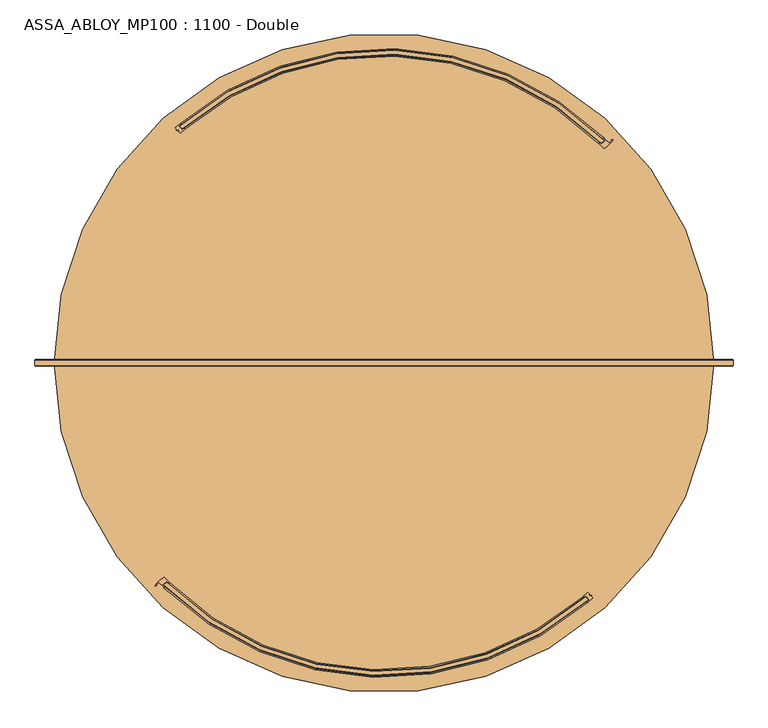
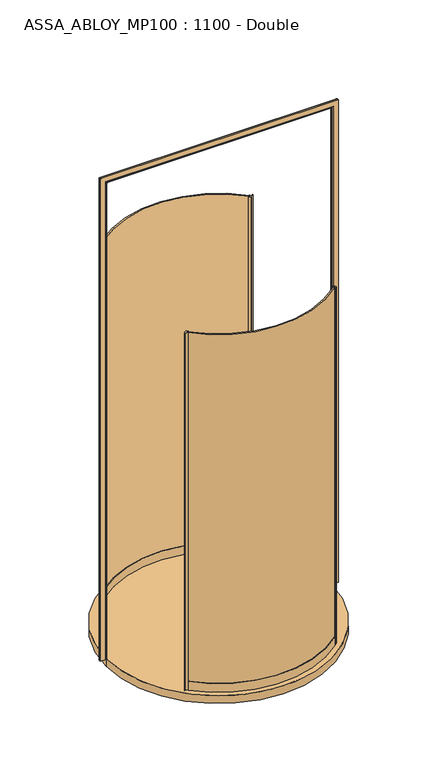
"""IFC4 building model written with IfcOpenShell, lengths in millimetres: door geometry, ASSA_ABLOY_MP100 : 1100 - Double."""

from ifc_helpers import new_model, si_unit, point, frame, frame_2d, origin, origin_with_axes, place, context, project, spatial, polyline, circle_curve, ellipse_curve, trimmed, segment, composite_curve, outline, extrude, source, transform, mapped, element, save
from ifc_brep_helpers import plane_surface, cylinder_surface, revolved_surface, advanced_brep


def assa_abloy_mp100_1100_double_955554bf(model_context):
    return source(origin(), model_context, "Body", "SolidModel", [
        extrude(outline(composite_curve([segment(trimmed(circle_curve(frame_2d((125.0, 0.0)), 838.5), [point((-464.9937964, -595.8100119))], [point((672.3022385, -635.2499585))], True, "CARTESIAN"), True, "CONTINUOUS"), segment(polyline([(672.3022385, -635.2499585), (678.7856646, -642.8636619)]), True, "CONTINUOUS"), segment(trimmed(circle_curve(frame_2d((125.0, 0.0)), 848.5), [point((678.7856646, -642.8636619))], [point((-471.9877233, -602.9576338))], False, "CARTESIAN"), True, "CONTINUOUS"), segment(polyline([(-471.9877233, -602.9576338), (-464.9937964, -595.8100119)]), True, "CONTINUOUS")], self_intersect=False)), origin_with_axes(), (0.0, 0.0, 1.0), 3000.0),
        extrude(outline(composite_curve([segment(polyline([(678.2153363, -623.4380817), (682.6356913, -628.629052), (680.7322968, -630.2498818), (683.0014585, -632.9146341), (687.4711305, -630.7907524), (688.189663, -631.6345491), (686.8437866, -633.5707587), (691.1846095, -638.6683317)]), True, "CONTINUOUS"), segment(trimmed(circle_curve(frame_2d((125.0, 0.0)), 853.5), [point((691.1846095, -638.6683317))], [point((678.3513022, -649.8188874))], False, "CARTESIAN"), True, "CONTINUOUS"), segment(polyline([(678.3513022, -649.8188874), (676.4063064, -647.534814)]), True, "CONTINUOUS"), segment(trimmed(circle_curve(frame_2d((125.0, 0.0)), 850.5), [point((676.4063064, -647.534814))], [point((681.7171345, -642.974558))], True, "CARTESIAN"), True, "CONTINUOUS"), segment(polyline([(681.7171345, -642.974558), (672.6401749, -632.3151816)]), True, "CONTINUOUS"), segment(trimmed(circle_curve(frame_2d((125.0, 0.0)), 836.5), [point((672.6401749, -632.3151816))], [point((667.1769315, -637.005828))], False, "CARTESIAN"), True, "CONTINUOUS"), segment(polyline([(667.1769315, -637.005828), (665.3846636, -634.5917313)]), True, "CONTINUOUS"), segment(trimmed(circle_curve(frame_2d((125.0, 0.0)), 833.5), [point((665.3846636, -634.5917313))], [point((678.2153363, -623.4380817))], True, "CARTESIAN"), True, "CONTINUOUS")], self_intersect=False)), origin_with_axes(), (0.0, 0.0, 1.0), 3000.0),
        advanced_brep(
        [(-464.9934713, -592.989238, 0.0), (-474.6948043, -603.085211, 0.0), (-469.6833962, -607.9727962, 0.0), (-471.7620171, -610.1359732, 0.0), (-485.6082601, -596.2698104, 0.0), (-492.7731984, -604.9617583, 0.0), (-495.3447483, -603.6458006, 0.0), (-473.4776156, -583.3597044, 0.0), (-469.7956112, -583.8583313, 0.0), (-457.9045441, -595.7147929, 0.0), (-459.9831651, -597.8779699, 0.0), (-464.9934713, -592.989238, 3000.0), (-459.9831651, -597.8779699, 3000.0), (-457.9045441, -595.7147929, 3000.0), (-469.7956112, -583.8583313, 3000.0), (-473.4776156, -583.3597044, 3000.0), (-495.3447483, -603.6458006, 3000.0), (-492.7870043, -604.9545448, 3000.0), (-485.6082601, -596.2698104, 3000.0), (-471.7620171, -610.1359732, 3000.0), (-469.6833962, -607.9727962, 3000.0), (-474.6948043, -603.085211, 3000.0)],
        [
            (0, 1),
            (1, 2, circle_curve(frame((-142.9934701, -267.9934701, 0.0), z_axis=(0.0, 0.0, 1.0), x_axis=(-0.707106781186553, 0.7071067811865419, 0.0)), 471.5)),
            (2, 3),
            (3, 4, circle_curve(frame((-142.9934701, -267.9934701, 0.0), z_axis=(0.0, 0.0, -1.0), x_axis=(-0.707106781186553, 0.7071067811865419, 0.0)), 474.5)),
            (4, 5, circle_curve(frame((-468.5900425, -617.597323, 0.0), z_axis=(0.0, 0.0, 1.0), x_axis=(-0.707106781186553, 0.7071067811865419, 0.0)), 27.285207)),
            (5, 6, circle_curve(frame((-494.060292, -604.289259, 0.0), z_axis=(0.0, 0.0, -1.0), x_axis=(-0.707106781186553, 0.7071067811865419, 0.0)), 1.4366164)),
            (6, 7, circle_curve(frame((-437.8967434, -643.6423847, 0.0), z_axis=(0.0, 0.0, -1.0), x_axis=(-0.707106781186553, 0.7071067811865419, 0.0)), 70.0)),
            (7, 8, circle_curve(frame((-471.9527211, -585.9432478, 0.0), z_axis=(0.0, 0.0, -1.0), x_axis=(-0.707106781186553, 0.7071067811865419, 0.0)), 3.0)),
            (8, 9, circle_curve(frame((-142.9934701, -267.9934701, 0.0), z_axis=(0.0, 0.0, 1.0), x_axis=(-0.707106781186553, 0.7071067811865419, 0.0)), 454.5)),
            (9, 10),
            (10, 0, circle_curve(frame((-142.9934701, -267.9934701, 0.0), z_axis=(0.0, 0.0, -1.0), x_axis=(-0.707106781186553, 0.7071067811865419, 0.0)), 457.5)),
            (11, 12, circle_curve(frame((-142.9934701, -267.9934701, 3000.0), z_axis=(0.0, 0.0, 1.0), x_axis=(-0.707106781186553, 0.7071067811865419, 0.0)), 457.5)),
            (12, 13),
            (13, 14, circle_curve(frame((-142.9934701, -267.9934701, 3000.0), z_axis=(0.0, 0.0, -1.0), x_axis=(-0.707106781186553, 0.7071067811865419, 0.0)), 454.5)),
            (14, 15, circle_curve(frame((-471.9527211, -585.9432478, 3000.0), z_axis=(0.0, 0.0, 1.0), x_axis=(-0.707106781186553, 0.7071067811865419, 0.0)), 3.0)),
            (15, 16, circle_curve(frame((-437.8967434, -643.6423847, 3000.0), z_axis=(0.0, 0.0, 1.0), x_axis=(-0.707106781186553, 0.7071067811865419, 0.0)), 70.0)),
            (16, 17, circle_curve(frame((-494.060292, -604.289259, 3000.0), z_axis=(0.0, 0.0, 1.0), x_axis=(-0.707106781186553, 0.7071067811865419, 0.0)), 1.4366164)),
            (17, 18, circle_curve(frame((-468.5900425, -617.597323, 3000.0), z_axis=(0.0, 0.0, -1.0), x_axis=(-0.707106781186553, 0.7071067811865419, 0.0)), 27.285207)),
            (18, 19, circle_curve(frame((-142.9934701, -267.9934701, 3000.0), z_axis=(0.0, 0.0, 1.0), x_axis=(-0.707106781186553, 0.7071067811865419, 0.0)), 474.5)),
            (19, 20),
            (20, 21, circle_curve(frame((-142.9934701, -267.9934701, 3000.0), z_axis=(0.0, 0.0, -1.0), x_axis=(-0.707106781186553, 0.7071067811865419, 0.0)), 471.5)),
            (21, 11),
            (0, 11),
            (21, 1),
            (20, 2),
            (19, 3),
            (18, 4),
            (8, 14),
            (13, 9),
            (12, 10),
            (17, 5),
            (16, 6),
            (15, 7),
        ],
        [
            plane_surface(frame((-464.3735021, -589.3735021, 0.0), z_axis=(0.0, 0.0, -1.0), x_axis=(-0.707106781186542, -0.7071067811865531, 0.0))),
            plane_surface(frame((-464.3735021, -589.3735021, 3000.0), z_axis=(0.0, 0.0, 1.0), x_axis=(-0.707106781186542, -0.7071067811865531, 0.0))),
            plane_surface(frame((-464.9934713, -592.989238, 0.0), z_axis=(0.7210590160944299, -0.692873650320845, 0.0), x_axis=(0.0, 0.0, 1.0))),
            revolved_surface(polyline([(-476.39431742945976, 65.40737722945448, 3000.0), (-476.39431742945976, 65.40737722945448, 0.0)]), (-142.9934701, -267.9934701, 0.0), (0.0, 0.0, 1.0)),
            plane_surface(frame((-469.6833962, -607.9727962, 0.0), z_axis=(0.7210590160945624, -0.6928736503207072, 0.0), x_axis=(0.0, 0.0, 1.0))),
            cylinder_surface(frame((-142.9934701, -267.9934701, 0.0), z_axis=(0.0, 0.0, -1.0), x_axis=(-0.707106781186553, 0.7071067811865419, 0.0)), 474.5),
            revolved_surface(polyline([(-464.37350214928836, 53.38656194928325, 3000.0), (-464.37350214928836, 53.38656194928325, 0.0)]), (-142.9934701, -267.9934701, 0.0), (0.0, 0.0, 1.0)),
            plane_surface(frame((-457.9045441, -595.7147929, 0.0), z_axis=(0.7210590160946411, -0.6928736503206254, 0.0), x_axis=(0.0, 0.0, 1.0))),
            cylinder_surface(frame((-142.9934701, -267.9934701, 0.0), z_axis=(0.0, 0.0, -1.0), x_axis=(-0.707106781186553, 0.7071067811865419, 0.0)), 457.5),
            revolved_surface(polyline([(-487.8835973957788, -598.3037681042215, 3000.0), (-487.8835973957788, -598.3037681042215, 0.0)]), (-468.5900425, -617.597323, 0.0), (0.0, 0.0, 1.0)),
            cylinder_surface(frame((-494.060292, -604.289259, 0.0), z_axis=(0.0, 0.0, -1.0), x_axis=(-0.707106781186553, 0.7071067811865419, 0.0)), 1.4366164),
            cylinder_surface(frame((-437.8967434, -643.6423847, 0.0), z_axis=(0.0, 0.0, -1.0), x_axis=(-0.707106781186553, 0.7071067811865419, 0.0)), 70.0),
            cylinder_surface(frame((-471.9527211, -585.9432478, 0.0), z_axis=(0.0, 0.0, -1.0), x_axis=(-0.707106781186553, 0.7071067811865419, 0.0)), 3.0),
        ],
        [
            (0, [[1, 2, 3, 4, 5, 6, 7, 8, 9, 10, 11]]),
            (1, [[12, 13, 14, 15, 16, 17, 18, 19, 20, 21, 22]]),
            (2, [[-1, 23, -22, 24]]),
            (3, [[-2, -24, -21, 25]]),
            (4, [[-3, -25, -20, 26]]),
            (5, [[-4, -26, -19, 27]]),
            (6, [[-9, 28, -14, 29]]),
            (7, [[-10, -29, -13, 30]]),
            (8, [[-11, -30, -12, -23]]),
            (9, [[-5, -27, -18, 31]]),
            (10, [[-6, -31, -17, 32]]),
            (11, [[-7, -32, -16, 33]]),
            (12, [[-8, -33, -15, -28]]),
        ],
    ),
        advanced_brep(
        [(-457.9335723, -595.743821, 73.0), (-457.9335723, -595.743821, 0.0), (-460.0317135, -597.8880699, 0.0), (-460.0317135, -597.8880699, 24.0), (-469.8230393, -607.8945648, 24.0), (-469.8230393, -607.8945648, 0.0), (-471.9211805, -610.0388137, 0.0), (-471.9211805, -610.0388137, 73.0), (-469.8230393, -607.8945648, 73.0), (-469.8230393, -607.8945648, 39.0), (-460.0317135, -597.8880699, 39.0), (-460.0317135, -597.8880699, 73.0), (665.3846636, -634.5917313, 73.0), (667.3296593, -636.8758047, 73.0), (667.3296593, -636.8758047, 39.0), (676.4063064, -647.534814, 39.0), (676.4063064, -647.534814, 73.0), (678.3513022, -649.8188874, 73.0), (678.3513022, -649.8188874, 0.0), (676.4063064, -647.534814, 0.0), (676.4063064, -647.534814, 24.0), (667.3296593, -636.8758047, 24.0), (667.3296593, -636.8758047, 0.0), (665.3846636, -634.5917313, 0.0)],
        [
            (0, 1),
            (1, 2),
            (2, 3),
            (3, 4),
            (4, 5),
            (5, 6),
            (6, 7),
            (7, 8),
            (8, 9),
            (9, 10),
            (10, 11),
            (11, 0),
            (12, 13),
            (13, 14),
            (14, 15),
            (15, 16),
            (16, 17),
            (17, 18),
            (18, 19),
            (19, 20),
            (20, 21),
            (21, 22),
            (22, 23),
            (23, 12),
            (23, 1, circle_curve(frame((125.0, 0.0, 0.0), z_axis=(0.0, 0.0, -1.0), x_axis=(-0.6993804106642412, -0.7147496353123363, 0.0)), 833.5)),
            (0, 12, circle_curve(frame((125.0, 0.0, 73.0), z_axis=(0.0, 0.0, 1.0), x_axis=(-0.6993804106642412, -0.7147496353123363, 0.0)), 833.5)),
            (22, 2, circle_curve(frame((125.0, 0.0, 0.0), z_axis=(0.0, 0.0, -1.0), x_axis=(-0.6993804106642412, -0.7147496353123363, 0.0)), 836.5)),
            (21, 3, circle_curve(frame((125.0, 0.0, 24.0), z_axis=(0.0, 0.0, -1.0), x_axis=(-0.6993804106642412, -0.7147496353123363, 0.0)), 836.5)),
            (20, 4, circle_curve(frame((125.0, 0.0, 24.0), z_axis=(0.0, 0.0, -1.0), x_axis=(-0.6993804106642412, -0.7147496353123363, 0.0)), 850.5)),
            (19, 5, circle_curve(frame((125.0, 0.0, 0.0), z_axis=(0.0, 0.0, -1.0), x_axis=(-0.6993804106642412, -0.7147496353123363, 0.0)), 850.5)),
            (18, 6, circle_curve(frame((125.0, 0.0, 0.0), z_axis=(0.0, 0.0, -1.0), x_axis=(-0.6993804106642412, -0.7147496353123363, 0.0)), 853.5)),
            (17, 7, circle_curve(frame((125.0, 0.0, 73.0), z_axis=(0.0, 0.0, -1.0), x_axis=(-0.6993804106642412, -0.7147496353123363, 0.0)), 853.5)),
            (16, 8, circle_curve(frame((125.0, 0.0, 73.0), z_axis=(0.0, 0.0, -1.0), x_axis=(-0.6993804106642412, -0.7147496353123363, 0.0)), 850.5)),
            (15, 9, circle_curve(frame((125.0, 0.0, 39.0), z_axis=(0.0, 0.0, -1.0), x_axis=(-0.6993804106642412, -0.7147496353123363, 0.0)), 850.5)),
            (14, 10, circle_curve(frame((125.0, 0.0, 39.0), z_axis=(0.0, 0.0, -1.0), x_axis=(-0.6993804106642412, -0.7147496353123363, 0.0)), 836.5)),
            (13, 11, circle_curve(frame((125.0, 0.0, 73.0), z_axis=(0.0, 0.0, -1.0), x_axis=(-0.6993804106642412, -0.7147496353123363, 0.0)), 836.5)),
        ],
        [
            plane_surface(frame((-457.9335723, -595.743821, 0.0), z_axis=(-0.7147496353123362, 0.6993804106642411, 0.0), x_axis=(0.0, 0.0, 1.0))),
            plane_surface(frame((665.3846636, -634.5917313, 0.0), z_axis=(0.7613578059617314, 0.6483319298793933, 0.0), x_axis=(0.0, 0.0, 1.0))),
            revolved_surface(polyline([(-457.933572288645, -595.7438210328323, 73.00000000000003), (-457.933572288645, -595.7438210328323, 0.0)]), (125.0, 0.0, 0.0), (0.0, 0.0, 1.0000000000000002)),
            plane_surface(frame((125.0, 0.0, 0.0), z_axis=(0.0, 0.0, -1.0), x_axis=(-0.6993804106642411, -0.7147496353123362, 0.0))),
            cylinder_surface(frame((125.0, 0.0, 0.0), z_axis=(0.0, 0.0, 1.0000000000000002), x_axis=(-0.6993804106642412, -0.7147496353123363, 0.0)), 836.5),
            plane_surface(frame((125.0, 0.0, 24.0), z_axis=(0.0, 0.0, -1.0), x_axis=(-0.6993804106642411, -0.7147496353123362, 0.0))),
            revolved_surface(polyline([(-469.8230392699371, -607.894564833142, 24.000000000000014), (-469.8230392699371, -607.894564833142, 0.0)]), (125.0, 0.0, 0.0), (0.0, 0.0, 1.0000000000000002)),
            cylinder_surface(frame((125.0, 0.0, 0.0), z_axis=(0.0, 0.0, 1.0000000000000002), x_axis=(-0.6993804106642412, -0.7147496353123363, 0.0)), 853.5),
            plane_surface(frame((125.0, 0.0, 73.0), z_axis=(0.0, 0.0, 1.0), x_axis=(-0.6993804106642411, -0.7147496353123362, 0.0))),
            revolved_surface(polyline([(-469.8230392699371, -607.894564833142, 73.00000000000003), (-469.8230392699371, -607.894564833142, 39.000000000000014)]), (125.0, 0.0, 0.0), (0.0, 0.0, 1.0000000000000002)),
            plane_surface(frame((125.0, 0.0, 39.0), z_axis=(0.0, 0.0, 1.0), x_axis=(-0.6993804106642411, -0.7147496353123362, 0.0))),
        ],
        [
            (0, [[1, 2, 3, 4, 5, 6, 7, 8, 9, 10, 11, 12]]),
            (1, [[13, 14, 15, 16, 17, 18, 19, 20, 21, 22, 23, 24]]),
            (2, [[25, -1, 26, -24]]),
            (3, [[27, -2, -25, -23]]),
            (4, [[28, -3, -27, -22]]),
            (5, [[29, -4, -28, -21]]),
            (6, [[30, -5, -29, -20]]),
            (3, [[31, -6, -30, -19]]),
            (7, [[32, -7, -31, -18]]),
            (8, [[33, -8, -32, -17]]),
            (9, [[34, -9, -33, -16]]),
            (10, [[35, -10, -34, -15]]),
            (4, [[36, -11, -35, -14]]),
            (8, [[-26, -12, -36, -13]]),
        ],
    ),
        extrude(outline(composite_curve([segment(trimmed(circle_curve(frame_2d((125.0, 0.0)), 838.5), [point((714.9937964, 595.8100119))], [point((-422.3022385, 635.2499585))], True, "CARTESIAN"), True, "CONTINUOUS"), segment(polyline([(-422.3022385, 635.2499585), (-428.7856646, 642.8636619)]), True, "CONTINUOUS"), segment(trimmed(circle_curve(frame_2d((125.0, 0.0)), 848.5), [point((-428.7856646, 642.8636619))], [point((721.9877233, 602.9576338))], False, "CARTESIAN"), True, "CONTINUOUS"), segment(polyline([(721.9877233, 602.9576338), (714.9937964, 595.8100119)]), True, "CONTINUOUS")], self_intersect=False)), origin_with_axes(), (0.0, 0.0, 1.0), 3000.0),
        extrude(outline(composite_curve([segment(polyline([(-428.2153363, 623.4380817), (-432.6356913, 628.629052), (-430.7322968, 630.2498818), (-433.0014585, 632.9146341), (-437.4711305, 630.7907524), (-438.189663, 631.6345491), (-436.8437866, 633.5707587), (-441.1846095, 638.6683317)]), True, "CONTINUOUS"), segment(trimmed(circle_curve(frame_2d((125.0, 0.0)), 853.5), [point((-441.1846095, 638.6683317))], [point((-428.3513022, 649.8188874))], False, "CARTESIAN"), True, "CONTINUOUS"), segment(polyline([(-428.3513022, 649.8188874), (-426.4063064, 647.534814)]), True, "CONTINUOUS"), segment(trimmed(circle_curve(frame_2d((125.0, 0.0)), 850.5), [point((-426.4063064, 647.534814))], [point((-431.7171345, 642.974558))], True, "CARTESIAN"), True, "CONTINUOUS"), segment(polyline([(-431.7171345, 642.974558), (-422.6401749, 632.3151816)]), True, "CONTINUOUS"), segment(trimmed(circle_curve(frame_2d((125.0, 0.0)), 836.5), [point((-422.6401749, 632.3151816))], [point((-417.1769315, 637.005828))], False, "CARTESIAN"), True, "CONTINUOUS"), segment(polyline([(-417.1769315, 637.005828), (-415.3846636, 634.5917313)]), True, "CONTINUOUS"), segment(trimmed(circle_curve(frame_2d((125.0, 0.0)), 833.5), [point((-415.3846636, 634.5917313))], [point((-428.2153363, 623.4380817))], True, "CARTESIAN"), True, "CONTINUOUS")], self_intersect=False)), origin_with_axes(), (0.0, 0.0, 1.0), 3000.0),
        advanced_brep(
        [(714.9934713, 592.989238, 0.0), (724.6948043, 603.085211, 0.0), (719.6833962, 607.9727962, 0.0), (721.7620171, 610.1359732, 0.0), (735.6082601, 596.2698104, 0.0), (742.7731984, 604.9617583, 0.0), (745.3447483, 603.6458006, 0.0), (723.4776156, 583.3597044, 0.0), (719.7956112, 583.8583313, 0.0), (707.9045441, 595.7147929, 0.0), (709.9831651, 597.8779699, 0.0), (714.9934713, 592.989238, 3000.0), (709.9831651, 597.8779699, 3000.0), (707.9045441, 595.7147929, 3000.0), (719.7956112, 583.8583313, 3000.0), (723.4776156, 583.3597044, 3000.0), (745.3447483, 603.6458006, 3000.0), (742.7870043, 604.9545448, 3000.0), (735.6082601, 596.2698104, 3000.0), (721.7620171, 610.1359732, 3000.0), (719.6833962, 607.9727962, 3000.0), (724.6948043, 603.085211, 3000.0)],
        [
            (0, 1),
            (1, 2, circle_curve(frame((392.9934701, 267.9934701, 0.0), z_axis=(0.0, 0.0, 1.0), x_axis=(0.7071067811865525, -0.7071067811865417, 0.0)), 471.5)),
            (2, 3),
            (3, 4, circle_curve(frame((392.9934701, 267.9934701, 0.0), z_axis=(0.0, 0.0, -1.0), x_axis=(0.7071067811865525, -0.7071067811865417, 0.0)), 474.5)),
            (4, 5, circle_curve(frame((718.5900425, 617.597323, 0.0), z_axis=(0.0, 0.0, 1.0), x_axis=(0.7071067811865525, -0.7071067811865417, 0.0)), 27.285207)),
            (5, 6, circle_curve(frame((744.060292, 604.289259, 0.0), z_axis=(0.0, 0.0, -1.0), x_axis=(0.7071067811865525, -0.7071067811865417, 0.0)), 1.4366164)),
            (6, 7, circle_curve(frame((687.8967434, 643.6423847, 0.0), z_axis=(0.0, 0.0, -1.0), x_axis=(0.7071067811865525, -0.7071067811865417, 0.0)), 70.0)),
            (7, 8, circle_curve(frame((721.9527211, 585.9432478, 0.0), z_axis=(0.0, 0.0, -1.0), x_axis=(0.7071067811865525, -0.7071067811865417, 0.0)), 3.0)),
            (8, 9, circle_curve(frame((392.9934701, 267.9934701, 0.0), z_axis=(0.0, 0.0, 1.0), x_axis=(0.7071067811865525, -0.7071067811865417, 0.0)), 454.5)),
            (9, 10),
            (10, 0, circle_curve(frame((392.9934701, 267.9934701, 0.0), z_axis=(0.0, 0.0, -1.0), x_axis=(0.7071067811865525, -0.7071067811865417, 0.0)), 457.5)),
            (11, 12, circle_curve(frame((392.9934701, 267.9934701, 3000.0), z_axis=(0.0, 0.0, 1.0), x_axis=(0.7071067811865525, -0.7071067811865417, 0.0)), 457.5)),
            (12, 13),
            (13, 14, circle_curve(frame((392.9934701, 267.9934701, 3000.0), z_axis=(0.0, 0.0, -1.0), x_axis=(0.7071067811865525, -0.7071067811865417, 0.0)), 454.5)),
            (14, 15, circle_curve(frame((721.9527211, 585.9432478, 3000.0), z_axis=(0.0, 0.0, 1.0), x_axis=(0.7071067811865525, -0.7071067811865417, 0.0)), 3.0)),
            (15, 16, circle_curve(frame((687.8967434, 643.6423847, 3000.0), z_axis=(0.0, 0.0, 1.0), x_axis=(0.7071067811865525, -0.7071067811865417, 0.0)), 70.0)),
            (16, 17, circle_curve(frame((744.060292, 604.289259, 3000.0), z_axis=(0.0, 0.0, 1.0), x_axis=(0.7071067811865525, -0.7071067811865417, 0.0)), 1.4366164)),
            (17, 18, circle_curve(frame((718.5900425, 617.597323, 3000.0), z_axis=(0.0, 0.0, -1.0), x_axis=(0.7071067811865525, -0.7071067811865417, 0.0)), 27.285207)),
            (18, 19, circle_curve(frame((392.9934701, 267.9934701, 3000.0), z_axis=(0.0, 0.0, 1.0), x_axis=(0.7071067811865525, -0.7071067811865417, 0.0)), 474.5)),
            (19, 20),
            (20, 21, circle_curve(frame((392.9934701, 267.9934701, 3000.0), z_axis=(0.0, 0.0, -1.0), x_axis=(0.7071067811865525, -0.7071067811865417, 0.0)), 471.5)),
            (21, 11),
            (0, 11),
            (21, 1),
            (20, 2),
            (19, 3),
            (18, 4),
            (8, 14),
            (13, 9),
            (12, 10),
            (17, 5),
            (16, 6),
            (15, 7),
        ],
        [
            plane_surface(frame((714.3735021, 589.3735021, 0.0), z_axis=(0.0, 0.0, -1.0), x_axis=(0.7071067811865421, 0.7071067811865529, 0.0))),
            plane_surface(frame((714.3735021, 589.3735021, 3000.0), z_axis=(0.0, 0.0, 1.0), x_axis=(0.7071067811865421, 0.7071067811865529, 0.0))),
            plane_surface(frame((714.9934713, 592.989238, 0.0), z_axis=(-0.7210590160944298, 0.6928736503208452, 0.0), x_axis=(0.0, 0.0, 1.0))),
            revolved_surface(polyline([(726.3943174294595, -65.40737722945437, 3000.0), (726.3943174294595, -65.40737722945437, 0.0)]), (392.9934701, 267.9934701, 0.0), (0.0, 0.0, 1.0)),
            plane_surface(frame((719.6833962, 607.9727962, 0.0), z_axis=(-0.7210590160945622, 0.6928736503207075, 0.0), x_axis=(0.0, 0.0, 1.0))),
            cylinder_surface(frame((392.9934701, 267.9934701, 0.0), z_axis=(0.0, 0.0, -1.0), x_axis=(0.7071067811865525, -0.7071067811865417, 0.0)), 474.5),
            revolved_surface(polyline([(714.3735021492881, -53.38656194928319, 3000.0), (714.3735021492881, -53.38656194928319, 0.0)]), (392.9934701, 267.9934701, 0.0), (0.0, 0.0, 1.0)),
            plane_surface(frame((707.9045441, 595.7147929, 0.0), z_axis=(-0.7210590160946408, 0.6928736503206255, 0.0), x_axis=(0.0, 0.0, 1.0))),
            cylinder_surface(frame((392.9934701, 267.9934701, 0.0), z_axis=(0.0, 0.0, -1.0), x_axis=(0.7071067811865525, -0.7071067811865417, 0.0)), 457.5),
            revolved_surface(polyline([(737.8835973957788, 598.3037681042215, 3000.0), (737.8835973957788, 598.3037681042215, 0.0)]), (718.5900425, 617.597323, 0.0), (0.0, 0.0, 1.0)),
            cylinder_surface(frame((744.060292, 604.289259, 0.0), z_axis=(0.0, 0.0, -1.0), x_axis=(0.7071067811865525, -0.7071067811865417, 0.0)), 1.4366164),
            cylinder_surface(frame((687.8967434, 643.6423847, 0.0), z_axis=(0.0, 0.0, -1.0), x_axis=(0.7071067811865525, -0.7071067811865417, 0.0)), 70.0),
            cylinder_surface(frame((721.9527211, 585.9432478, 0.0), z_axis=(0.0, 0.0, -1.0), x_axis=(0.7071067811865525, -0.7071067811865417, 0.0)), 3.0),
        ],
        [
            (0, [[1, 2, 3, 4, 5, 6, 7, 8, 9, 10, 11]]),
            (1, [[12, 13, 14, 15, 16, 17, 18, 19, 20, 21, 22]]),
            (2, [[-1, 23, -22, 24]]),
            (3, [[-2, -24, -21, 25]]),
            (4, [[-3, -25, -20, 26]]),
            (5, [[-4, -26, -19, 27]]),
            (6, [[-9, 28, -14, 29]]),
            (7, [[-10, -29, -13, 30]]),
            (8, [[-11, -30, -12, -23]]),
            (9, [[-5, -27, -18, 31]]),
            (10, [[-6, -31, -17, 32]]),
            (11, [[-7, -32, -16, 33]]),
            (12, [[-8, -33, -15, -28]]),
        ],
    ),
        advanced_brep(
        [(707.9335723, 595.743821, 73.0), (707.9335723, 595.743821, 0.0), (710.0317135, 597.8880699, 0.0), (710.0317135, 597.8880699, 24.0), (719.8230393, 607.8945648, 24.0), (719.8230393, 607.8945648, 0.0), (721.9211805, 610.0388137, 0.0), (721.9211805, 610.0388137, 73.0), (719.8230393, 607.8945648, 73.0), (719.8230393, 607.8945648, 39.0), (710.0317135, 597.8880699, 39.0), (710.0317135, 597.8880699, 73.0), (-415.3846636, 634.5917313, 73.0), (-417.3296593, 636.8758047, 73.0), (-417.3296593, 636.8758047, 39.0), (-426.4063064, 647.534814, 39.0), (-426.4063064, 647.534814, 73.0), (-428.3513022, 649.8188874, 73.0), (-428.3513022, 649.8188874, 0.0), (-426.4063064, 647.534814, 0.0), (-426.4063064, 647.534814, 24.0), (-417.3296593, 636.8758047, 24.0), (-417.3296593, 636.8758047, 0.0), (-415.3846636, 634.5917313, 0.0)],
        [
            (0, 1),
            (1, 2),
            (2, 3),
            (3, 4),
            (4, 5),
            (5, 6),
            (6, 7),
            (7, 8),
            (8, 9),
            (9, 10),
            (10, 11),
            (11, 0),
            (12, 13),
            (13, 14),
            (14, 15),
            (15, 16),
            (16, 17),
            (17, 18),
            (18, 19),
            (19, 20),
            (20, 21),
            (21, 22),
            (22, 23),
            (23, 12),
            (23, 1, circle_curve(frame((125.0, 0.0, 0.0), z_axis=(0.0, 0.0, -1.0), x_axis=(0.699380410664241, 0.7147496353123357, 0.0)), 833.5)),
            (0, 12, circle_curve(frame((125.0, 0.0, 73.0), z_axis=(0.0, 0.0, 1.0), x_axis=(0.699380410664241, 0.7147496353123357, 0.0)), 833.5)),
            (22, 2, circle_curve(frame((125.0, 0.0, 0.0), z_axis=(0.0, 0.0, -1.0), x_axis=(0.699380410664241, 0.7147496353123357, 0.0)), 836.5)),
            (21, 3, circle_curve(frame((125.0, 0.0, 24.0), z_axis=(0.0, 0.0, -1.0), x_axis=(0.699380410664241, 0.7147496353123357, 0.0)), 836.5)),
            (20, 4, circle_curve(frame((125.0, 0.0, 24.0), z_axis=(0.0, 0.0, -1.0), x_axis=(0.699380410664241, 0.7147496353123357, 0.0)), 850.5)),
            (19, 5, circle_curve(frame((125.0, 0.0, 0.0), z_axis=(0.0, 0.0, -1.0), x_axis=(0.699380410664241, 0.7147496353123357, 0.0)), 850.5)),
            (18, 6, circle_curve(frame((125.0, 0.0, 0.0), z_axis=(0.0, 0.0, -1.0), x_axis=(0.699380410664241, 0.7147496353123357, 0.0)), 853.5)),
            (17, 7, circle_curve(frame((125.0, 0.0, 73.0), z_axis=(0.0, 0.0, -1.0), x_axis=(0.699380410664241, 0.7147496353123357, 0.0)), 853.5)),
            (16, 8, circle_curve(frame((125.0, 0.0, 73.0), z_axis=(0.0, 0.0, -1.0), x_axis=(0.699380410664241, 0.7147496353123357, 0.0)), 850.5)),
            (15, 9, circle_curve(frame((125.0, 0.0, 39.0), z_axis=(0.0, 0.0, -1.0), x_axis=(0.699380410664241, 0.7147496353123357, 0.0)), 850.5)),
            (14, 10, circle_curve(frame((125.0, 0.0, 39.0), z_axis=(0.0, 0.0, -1.0), x_axis=(0.699380410664241, 0.7147496353123357, 0.0)), 836.5)),
            (13, 11, circle_curve(frame((125.0, 0.0, 73.0), z_axis=(0.0, 0.0, -1.0), x_axis=(0.699380410664241, 0.7147496353123357, 0.0)), 836.5)),
        ],
        [
            plane_surface(frame((707.9335723, 595.743821, 0.0), z_axis=(0.714749635312336, -0.6993804106642412, 0.0), x_axis=(0.0, 0.0, 1.0))),
            plane_surface(frame((-415.3846636, 634.5917313, 0.0), z_axis=(-0.7613578059617316, -0.648331929879393, 0.0), x_axis=(0.0, 0.0, 1.0))),
            revolved_surface(polyline([(707.9335722886449, 595.7438210328318, 73.00000000000003), (707.9335722886449, 595.7438210328318, 0.0)]), (125.0, 0.0, 0.0), (0.0, 0.0, 1.0000000000000002)),
            plane_surface(frame((125.0, 0.0, 0.0), z_axis=(0.0, 0.0, -1.0), x_axis=(0.6993804106642412, 0.714749635312336, 0.0))),
            cylinder_surface(frame((125.0, 0.0, 0.0), z_axis=(0.0, 0.0, 1.0000000000000002), x_axis=(0.699380410664241, 0.7147496353123357, 0.0)), 836.5),
            plane_surface(frame((125.0, 0.0, 24.0), z_axis=(0.0, 0.0, -1.0), x_axis=(0.6993804106642412, 0.714749635312336, 0.0))),
            revolved_surface(polyline([(719.8230392699369, 607.8945648331415, 24.000000000000014), (719.8230392699369, 607.8945648331415, 0.0)]), (125.0, 0.0, 0.0), (0.0, 0.0, 1.0000000000000002)),
            cylinder_surface(frame((125.0, 0.0, 0.0), z_axis=(0.0, 0.0, 1.0000000000000002), x_axis=(0.699380410664241, 0.7147496353123357, 0.0)), 853.5),
            plane_surface(frame((125.0, 0.0, 73.0), z_axis=(0.0, 0.0, 1.0), x_axis=(0.6993804106642412, 0.714749635312336, 0.0))),
            revolved_surface(polyline([(719.8230392699369, 607.8945648331415, 73.00000000000003), (719.8230392699369, 607.8945648331415, 39.000000000000014)]), (125.0, 0.0, 0.0), (0.0, 0.0, 1.0000000000000002)),
            plane_surface(frame((125.0, 0.0, 39.0), z_axis=(0.0, 0.0, 1.0), x_axis=(0.6993804106642412, 0.714749635312336, 0.0))),
        ],
        [
            (0, [[1, 2, 3, 4, 5, 6, 7, 8, 9, 10, 11, 12]]),
            (1, [[13, 14, 15, 16, 17, 18, 19, 20, 21, 22, 23, 24]]),
            (2, [[25, -1, 26, -24]]),
            (3, [[27, -2, -25, -23]]),
            (4, [[28, -3, -27, -22]]),
            (5, [[29, -4, -28, -21]]),
            (6, [[30, -5, -29, -20]]),
            (3, [[31, -6, -30, -19]]),
            (7, [[32, -7, -31, -18]]),
            (8, [[33, -8, -32, -17]]),
            (9, [[34, -9, -33, -16]]),
            (10, [[35, -10, -34, -15]]),
            (4, [[36, -11, -35, -14]]),
            (8, [[-26, -12, -36, -13]]),
        ],
    ),
        extrude(outline(composite_curve([segment(trimmed(circle_curve(frame_2d((125.0, 0.0)), 895.0), [point((-770.0, 0.0))], [point((1020.0, 0.0))], False, "CARTESIAN"), True, "CONTINUOUS"), segment(trimmed(circle_curve(frame_2d((125.0, 0.0)), 895.0), [point((1020.0, 0.0))], [point((-770.0, 0.0))], False, "CARTESIAN"), True, "CONTINUOUS")], self_intersect=False)), frame((0.0, 0.0, -65.0), z_axis=(0.0, 0.0, 1.0), x_axis=(1.0, 0.0, 0.0)), (0.0, 0.0, 1.0), 65.0),
        advanced_brep(
        [(1020.9, 6.0, 0.0), (1023.1980762, 6.0, 0.0), (1024.0980762, 5.1, 0.0), (1024.0980762, -5.1, 0.0), (1023.1980762, -6.0, 0.0), (1020.9, -6.0, 0.0), (1020.0, -5.1, 0.0), (1020.0, 5.1, 0.0), (-770.9, 6.0, 0.0), (-770.0, 5.1, 0.0), (-770.0, -5.1, 0.0), (-770.9, -6.0, 0.0), (-773.1980762, -6.0, 0.0), (-774.0980762, -5.1, 0.0), (-774.0980762, 5.1, 0.0), (-773.1980762, 6.0, 0.0), (1020.9, 6.0, 4001.8), (-770.9, 6.0, 4001.8), (-773.1980762, 6.0, 4004.0980762), (1023.1980762, 6.0, 4004.0980762), (1024.0980762, 5.1, 4004.9980762), (1024.0980762, -5.1, 4004.9980762), (1023.1980762, -6.0, 4004.0980762), (-773.1980762, -6.0, 4004.0980762), (-770.9, -6.0, 4001.8), (1020.9, -6.0, 4001.8), (1020.0, -5.1, 4000.9), (1020.0, 5.1, 4000.9), (-774.0980762, 5.1, 4004.9980762), (-774.0980762, -5.1, 4004.9980762), (-770.0, -5.1, 4000.9), (-770.0, 5.1, 4000.9)],
        [
            (0, 1),
            (1, 2, circle_curve(frame((1023.1980762, 5.1, 0.0), z_axis=(0.0, 0.0, -1.0), x_axis=(-1.0, 0.0, 0.0)), 0.9)),
            (2, 3),
            (3, 4, circle_curve(frame((1023.1980762, -5.1, 0.0), z_axis=(0.0, 0.0, -1.0), x_axis=(-1.0, 0.0, 0.0)), 0.9)),
            (4, 5),
            (5, 6, circle_curve(frame((1020.9, -5.1, 0.0), z_axis=(0.0, 0.0, -1.0), x_axis=(-1.0, 0.0, 0.0)), 0.9)),
            (6, 7),
            (7, 0, circle_curve(frame((1020.9, 5.1, 0.0), z_axis=(0.0, 0.0, -1.0), x_axis=(-1.0, 0.0, 0.0)), 0.9)),
            (8, 9, circle_curve(frame((-770.9, 5.1, 0.0), z_axis=(0.0, 0.0, -1.0), x_axis=(1.0, 0.0, 0.0)), 0.9)),
            (9, 10),
            (10, 11, circle_curve(frame((-770.9, -5.1, 0.0), z_axis=(0.0, 0.0, -1.0), x_axis=(1.0, 0.0, 0.0)), 0.9)),
            (11, 12),
            (12, 13, circle_curve(frame((-773.1980762, -5.1, 0.0), z_axis=(0.0, 0.0, -1.0), x_axis=(1.0, 0.0, 0.0)), 0.9)),
            (13, 14),
            (14, 15, circle_curve(frame((-773.1980762, 5.1, 0.0), z_axis=(0.0, 0.0, -1.0), x_axis=(1.0, 0.0, 0.0)), 0.9)),
            (15, 8),
            (0, 16),
            (16, 17),
            (17, 8),
            (15, 18),
            (18, 19),
            (19, 1),
            (19, 20, ellipse_curve(frame((1023.1980762, 5.1, 4004.0980762), z_axis=(0.7071067811865475, 0.0, -0.7071067811865475), x_axis=(-0.7071067811865474, 0.0, -0.7071067811865476)), 1.2727922, 0.9)),
            (20, 2),
            (20, 21),
            (21, 3),
            (21, 22, ellipse_curve(frame((1023.1980762, -5.1, 4004.0980762), z_axis=(0.7071067811865475, 0.0, -0.7071067811865475), x_axis=(-0.7071067811865474, 0.0, -0.7071067811865476)), 1.2727922, 0.9)),
            (22, 4),
            (22, 23),
            (23, 12),
            (11, 24),
            (24, 25),
            (25, 5),
            (25, 26, ellipse_curve(frame((1020.9, -5.1, 4001.8), z_axis=(0.7071067811865475, 0.0, -0.7071067811865475), x_axis=(-0.7071067811865474, 0.0, -0.7071067811865476)), 1.2727922, 0.9)),
            (26, 6),
            (26, 27),
            (27, 7),
            (27, 16, ellipse_curve(frame((1020.9, 5.1, 4001.8), z_axis=(0.7071067811865475, 0.0, -0.7071067811865475), x_axis=(-0.7071067811865474, 0.0, -0.7071067811865476)), 1.2727922, 0.9)),
            (18, 28, ellipse_curve(frame((-773.1980762, 5.1, 4004.0980762), z_axis=(0.7071067811865475, 0.0, 0.7071067811865475), x_axis=(0.7071067811865476, 0.0, -0.7071067811865474)), 1.2727922, 0.9)),
            (28, 20),
            (28, 29),
            (29, 21),
            (29, 23, ellipse_curve(frame((-773.1980762, -5.1, 4004.0980762), z_axis=(0.7071067811865475, 0.0, 0.7071067811865475), x_axis=(0.7071067811865476, 0.0, -0.7071067811865474)), 1.2727922, 0.9)),
            (24, 30, ellipse_curve(frame((-770.9, -5.1, 4001.8), z_axis=(0.7071067811865475, 0.0, 0.7071067811865475), x_axis=(0.7071067811865476, 0.0, -0.7071067811865474)), 1.2727922, 0.9)),
            (30, 26),
            (30, 31),
            (31, 27),
            (31, 17, ellipse_curve(frame((-770.9, 5.1, 4001.8), z_axis=(0.7071067811865475, 0.0, 0.7071067811865475), x_axis=(0.7071067811865476, 0.0, -0.7071067811865474)), 1.2727922, 0.9)),
            (14, 28),
            (13, 29),
            (10, 30),
            (9, 31),
        ],
        [
            plane_surface(frame((1024.1, 0.0, 0.0), z_axis=(0.0, 0.0, -1.0), x_axis=(0.0, -1.0, 0.0))),
            plane_surface(frame((-774.1, 0.0, 0.0), z_axis=(0.0, 0.0, -1.0), x_axis=(0.0, -1.0, 0.0))),
            plane_surface(frame((1020.9, 6.0, 0.0), z_axis=(0.0, 1.0, 0.0), x_axis=(0.0, 0.0, 1.0))),
            cylinder_surface(frame((1023.1980762, 5.1, 0.0), z_axis=(0.0, 0.0, -1.0), x_axis=(-1.0, 0.0, 0.0)), 0.9),
            plane_surface(frame((1024.0980762, 5.1, 0.0), z_axis=(1.0, 0.0, 0.0), x_axis=(0.0, 0.0, 1.0))),
            cylinder_surface(frame((1023.1980762, -5.1, 0.0), z_axis=(0.0, 0.0, -1.0), x_axis=(-1.0, 0.0, 0.0)), 0.9),
            plane_surface(frame((1023.1980762, -6.0, 0.0), z_axis=(0.0, -1.0, 0.0), x_axis=(0.0, 0.0, 1.0))),
            cylinder_surface(frame((1020.9, -5.1, 0.0), z_axis=(0.0, 0.0, -1.0), x_axis=(-1.0, 0.0, 0.0)), 0.9),
            plane_surface(frame((1020.0, -5.1, 0.0), z_axis=(-1.0, 0.0, 0.0), x_axis=(0.0, 0.0, 1.0))),
            cylinder_surface(frame((1020.9, 5.1, 0.0), z_axis=(0.0, 0.0, -1.0), x_axis=(-1.0, 0.0, 0.0)), 0.9),
            cylinder_surface(frame((1024.1, 5.1, 4004.0980762), z_axis=(1.0, 0.0, 0.0), x_axis=(0.0, 0.0, -1.0)), 0.9),
            plane_surface(frame((1024.0980762, 5.1, 4004.9980762), z_axis=(0.0, 0.0, 1.0), x_axis=(-1.0, 0.0, 0.0))),
            cylinder_surface(frame((1024.1, -5.1, 4004.0980762), z_axis=(1.0, 0.0, 0.0), x_axis=(0.0, 0.0, -1.0)), 0.9),
            cylinder_surface(frame((1024.1, -5.1, 4001.8), z_axis=(1.0, 0.0, 0.0), x_axis=(0.0, 0.0, -1.0)), 0.9),
            plane_surface(frame((1020.0, -5.1, 4000.9), z_axis=(0.0, 0.0, -1.0), x_axis=(-1.0, 0.0, 0.0))),
            cylinder_surface(frame((1024.1, 5.1, 4001.8), z_axis=(1.0, 0.0, 0.0), x_axis=(0.0, 0.0, -1.0)), 0.9),
            cylinder_surface(frame((-773.1980762, 5.1, 4005.0), z_axis=(0.0, 0.0, 1.0), x_axis=(1.0, 0.0, 0.0)), 0.9),
            plane_surface(frame((-774.0980762, 5.1, 4004.9980762), z_axis=(-1.0, 0.0, 0.0), x_axis=(0.0, 0.0, -1.0))),
            cylinder_surface(frame((-773.1980762, -5.1, 4005.0), z_axis=(0.0, 0.0, 1.0), x_axis=(1.0, 0.0, 0.0)), 0.9),
            cylinder_surface(frame((-770.9, -5.1, 4005.0), z_axis=(0.0, 0.0, 1.0), x_axis=(1.0, 0.0, 0.0)), 0.9),
            plane_surface(frame((-770.0, -5.1, 4000.9), z_axis=(1.0, 0.0, 0.0), x_axis=(0.0, 0.0, -1.0))),
            cylinder_surface(frame((-770.9, 5.1, 4005.0), z_axis=(0.0, 0.0, 1.0), x_axis=(1.0, 0.0, 0.0)), 0.9),
        ],
        [
            (0, [[1, 2, 3, 4, 5, 6, 7, 8]]),
            (1, [[9, 10, 11, 12, 13, 14, 15, 16]]),
            (2, [[-1, 17, 18, 19, -16, 20, 21, 22]]),
            (3, [[-2, -22, 23, 24]]),
            (4, [[-3, -24, 25, 26]]),
            (5, [[-4, -26, 27, 28]]),
            (6, [[-5, -28, 29, 30, -12, 31, 32, 33]]),
            (7, [[-6, -33, 34, 35]]),
            (8, [[-7, -35, 36, 37]]),
            (9, [[-8, -37, 38, -17]]),
            (10, [[-23, -21, 39, 40]]),
            (11, [[-25, -40, 41, 42]]),
            (12, [[-27, -42, 43, -29]]),
            (13, [[-34, -32, 44, 45]]),
            (14, [[-36, -45, 46, 47]]),
            (15, [[-38, -47, 48, -18]]),
            (16, [[-39, -20, -15, 49]]),
            (17, [[-41, -49, -14, 50]]),
            (18, [[-43, -50, -13, -30]]),
            (19, [[-44, -31, -11, 51]]),
            (20, [[-46, -51, -10, 52]]),
            (21, [[-48, -52, -9, -19]]),
        ],
    ),
        advanced_brep(
        [(1071.4209519, 8.5, 0.0), (1072.0980762, 7.0, 0.0), (1072.0980762, -7.0, 0.0), (1071.4209519, -8.5, 0.0), (1032.0980762, -8.5, 0.0), (1032.0980762, 8.5, 0.0), (-821.4209519, 8.5, 0.0), (-782.0980762, 8.5, 0.0), (-782.0980762, -8.5, 0.0), (-821.4209519, -8.5, 0.0), (-822.0980762, -7.0, 0.0), (-822.0980762, 7.0, 0.0), (1071.4209519, 8.5, 4052.3209519), (1072.0980762, 7.0, 4052.9980762), (1072.0980762, -7.0, 4052.9980762), (1071.4209519, -8.5, 4052.3209519), (-821.4209519, -8.5, 4052.3209519), (-782.0980762, -8.5, 4012.9980762), (1032.0980762, -8.5, 4012.9980762), (1032.0980762, 8.5, 4012.9980762), (-782.0980762, 8.5, 4012.9980762), (-821.4209519, 8.5, 4052.3209519), (-822.0980762, 7.0, 4052.9980762), (-822.0980762, -7.0, 4052.9980762)],
        [
            (0, 1, circle_curve(frame((1070.0980762, 7.0, 0.0), z_axis=(0.0, 0.0, -1.0), x_axis=(-1.0, 0.0, 0.0)), 2.0)),
            (1, 2),
            (2, 3, circle_curve(frame((1070.0980762, -7.0, 0.0), z_axis=(0.0, 0.0, -1.0), x_axis=(-1.0, 0.0, 0.0)), 2.0)),
            (3, 4),
            (4, 5),
            (5, 0),
            (6, 7),
            (7, 8),
            (8, 9),
            (9, 10, circle_curve(frame((-820.0980762, -7.0, 0.0), z_axis=(0.0, 0.0, -1.0), x_axis=(1.0, 0.0, 0.0)), 2.0)),
            (10, 11),
            (11, 6, circle_curve(frame((-820.0980762, 7.0, 0.0), z_axis=(0.0, 0.0, -1.0), x_axis=(1.0, 0.0, 0.0)), 2.0)),
            (0, 12),
            (12, 13, ellipse_curve(frame((1070.0980762, 7.0, 4050.9980762), z_axis=(0.7071067811865475, 0.0, -0.7071067811865475), x_axis=(-0.7071067811865474, 0.0, -0.7071067811865476)), 2.8284271, 2.0)),
            (13, 1),
            (13, 14),
            (14, 2),
            (14, 15, ellipse_curve(frame((1070.0980762, -7.0, 4050.9980762), z_axis=(0.7071067811865475, 0.0, -0.7071067811865475), x_axis=(-0.7071067811865474, 0.0, -0.7071067811865476)), 2.8284271, 2.0)),
            (15, 3),
            (15, 16),
            (16, 9),
            (8, 17),
            (17, 18),
            (18, 4),
            (18, 19),
            (19, 5),
            (19, 20),
            (20, 7),
            (6, 21),
            (21, 12),
            (21, 22, ellipse_curve(frame((-820.0980762, 7.0, 4050.9980762), z_axis=(0.7071067811865475, 0.0, 0.7071067811865475), x_axis=(0.7071067811865476, 0.0, -0.7071067811865474)), 2.8284271, 2.0)),
            (22, 13),
            (22, 23),
            (23, 14),
            (23, 16, ellipse_curve(frame((-820.0980762, -7.0, 4050.9980762), z_axis=(0.7071067811865475, 0.0, 0.7071067811865475), x_axis=(0.7071067811865476, 0.0, -0.7071067811865474)), 2.8284271, 2.0)),
            (17, 20),
            (11, 22),
            (10, 23),
        ],
        [
            plane_surface(frame((1024.1, 0.0, 0.0), z_axis=(0.0, 0.0, -1.0), x_axis=(0.0, -1.0, 0.0))),
            plane_surface(frame((-774.1, 0.0, 0.0), z_axis=(0.0, 0.0, -1.0), x_axis=(0.0, -1.0, 0.0))),
            cylinder_surface(frame((1070.0980762, 7.0, 0.0), z_axis=(0.0, 0.0, -1.0), x_axis=(-1.0, 0.0, 0.0)), 2.0),
            plane_surface(frame((1072.0980762, 7.0, 0.0), z_axis=(1.0, 0.0, 0.0), x_axis=(0.0, 0.0, 1.0))),
            cylinder_surface(frame((1070.0980762, -7.0, 0.0), z_axis=(0.0, 0.0, -1.0), x_axis=(-1.0, 0.0, 0.0)), 2.0),
            plane_surface(frame((1071.4209519, -8.5, 0.0), z_axis=(0.0, -1.0, 0.0), x_axis=(0.0, 0.0, 1.0))),
            plane_surface(frame((1032.0980762, -8.5, 0.0), z_axis=(-1.0, 0.0, 0.0), x_axis=(0.0, 0.0, 1.0))),
            plane_surface(frame((1032.0980762, 8.5, 0.0), z_axis=(0.0, 1.0, 0.0), x_axis=(0.0, 0.0, 1.0))),
            cylinder_surface(frame((1024.1, 7.0, 4050.9980762), z_axis=(1.0, 0.0, 0.0), x_axis=(0.0, 0.0, -1.0)), 2.0),
            plane_surface(frame((1072.0980762, 7.0, 4052.9980762), z_axis=(0.0, 0.0, 1.0), x_axis=(-1.0, 0.0, 0.0))),
            cylinder_surface(frame((1024.1, -7.0, 4050.9980762), z_axis=(1.0, 0.0, 0.0), x_axis=(0.0, 0.0, -1.0)), 2.0),
            plane_surface(frame((1032.0980762, -8.5, 4012.9980762), z_axis=(0.0, 0.0, -1.0), x_axis=(-1.0, 0.0, 0.0))),
            cylinder_surface(frame((-820.0980762, 7.0, 4005.0), z_axis=(0.0, 0.0, 1.0), x_axis=(1.0, 0.0, 0.0)), 2.0),
            plane_surface(frame((-822.0980762, 7.0, 4052.9980762), z_axis=(-1.0, 0.0, 0.0), x_axis=(0.0, 0.0, -1.0))),
            cylinder_surface(frame((-820.0980762, -7.0, 4005.0), z_axis=(0.0, 0.0, 1.0), x_axis=(1.0, 0.0, 0.0)), 2.0),
            plane_surface(frame((-782.0980762, -8.5, 4012.9980762), z_axis=(1.0, 0.0, 0.0), x_axis=(0.0, 0.0, -1.0))),
        ],
        [
            (0, [[1, 2, 3, 4, 5, 6]]),
            (1, [[7, 8, 9, 10, 11, 12]]),
            (2, [[-1, 13, 14, 15]]),
            (3, [[-2, -15, 16, 17]]),
            (4, [[-3, -17, 18, 19]]),
            (5, [[-4, -19, 20, 21, -9, 22, 23, 24]]),
            (6, [[-5, -24, 25, 26]]),
            (7, [[-6, -26, 27, 28, -7, 29, 30, -13]]),
            (8, [[-14, -30, 31, 32]]),
            (9, [[-16, -32, 33, 34]]),
            (10, [[-18, -34, 35, -20]]),
            (11, [[-25, -23, 36, -27]]),
            (12, [[-31, -29, -12, 37]]),
            (13, [[-33, -37, -11, 38]]),
            (14, [[-35, -38, -10, -21]]),
            (15, [[-36, -22, -8, -28]]),
        ],
    ),
    ])


if __name__ == "__main__":
    model = new_model("IFC4")
    model_context = context("Model", 3, world=origin())
    ifc_project = project(units=[si_unit("LENGTHUNIT", "METRE", prefix="MILLI")], contexts=[model_context])
    site = spatial("IfcSite", under=ifc_project)
    building = spatial("IfcBuilding", under=site)
    placement = place(None, origin())
    assa_abloy_mp100_1100_double_shape = assa_abloy_mp100_1100_double_955554bf(model_context)
    element("IfcDoor", 1, ObjectType="ASSA_ABLOY_MP100 : 1100 - Double", at=placement, inside=building, context=model_context, shape_type="MappedRepresentation", body=[
        mapped(assa_abloy_mp100_1100_double_shape, transform((0.0, 0.0, 0.0), x_axis=(1.0, 0.0, 0.0), y_axis=(0.0, 1.0, 0.0), z_axis=(0.0, 0.0, 1.0))),
    ])
    save(model, "model.ifc")
